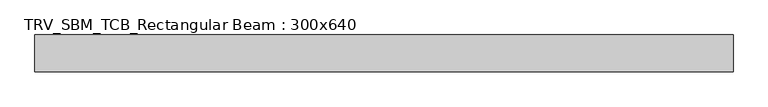
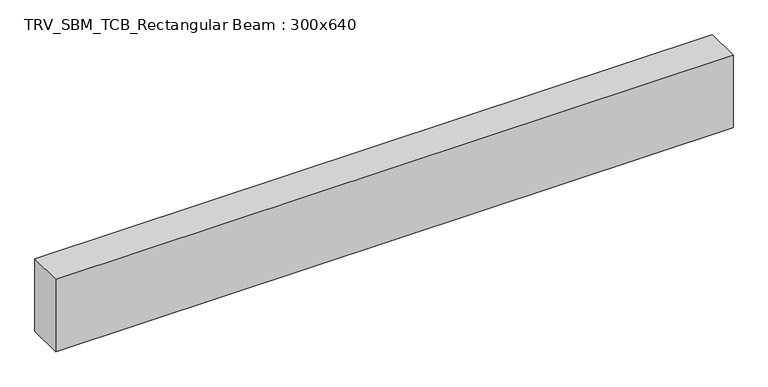
"""IFC4 building model written with IfcOpenShell, lengths in millimetres: beam geometry, TRV_SBM_TCB_Rectangular Beam : 300x640."""

from ifc_helpers import new_model, si_unit, frame, origin, place, context, project, spatial, polyline, outline, extrude, source, transform, mapped, element, save


def trv_sbm_tcb_rectangular_beam_300x640_df493ec6(model_context):
    return source(origin(), model_context, "Body", "SweptSolid", [
        extrude(outline(polyline([(2832.7, 150.0), (2832.7, -150.0), (-2832.7, -150.0), (-2832.7, 150.0), (2832.7, 150.0)])), frame((0.0, 0.0, -320.0), z_axis=(0.0, 0.0, 1.0), x_axis=(1.0, 0.0, 0.0)), (0.0, 0.0, 1.0), 640.0),
    ])


if __name__ == "__main__":
    model = new_model("IFC4")
    model_context = context("Model", 3, world=origin())
    ifc_project = project(units=[si_unit("LENGTHUNIT", "METRE", prefix="MILLI")], contexts=[model_context])
    site = spatial("IfcSite", under=ifc_project)
    building = spatial("IfcBuilding", under=site)
    placement = place(None, origin())
    trv_sbm_tcb_rectangular_beam_300x640_shape = trv_sbm_tcb_rectangular_beam_300x640_df493ec6(model_context)
    element("IfcBeam", 1, ObjectType="TRV_SBM_TCB_Rectangular Beam : 300x640", at=placement, inside=building, context=model_context, shape_type="MappedRepresentation", body=[
        mapped(trv_sbm_tcb_rectangular_beam_300x640_shape, transform((0.0, 0.0, 0.0), x_axis=(1.0, 0.0, 0.0), y_axis=(0.0, 1.0, 0.0), z_axis=(0.0, 0.0, 1.0))),
    ])
    save(model, "model.ifc")
